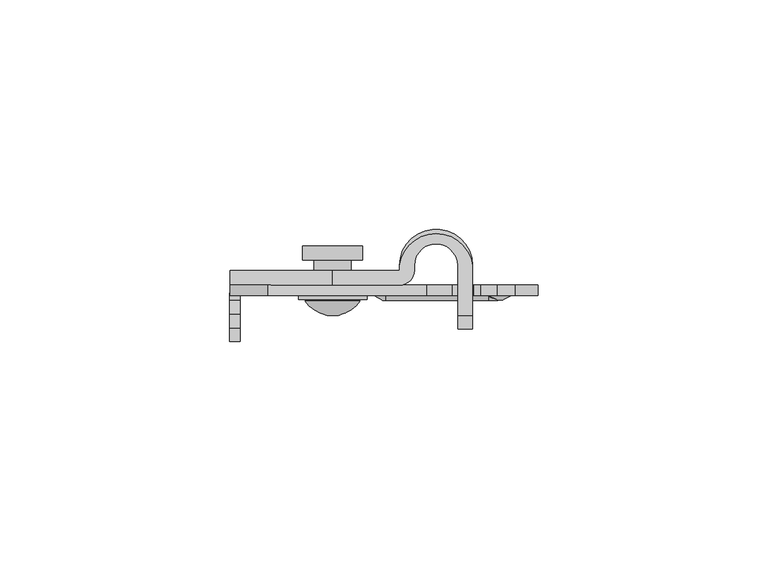
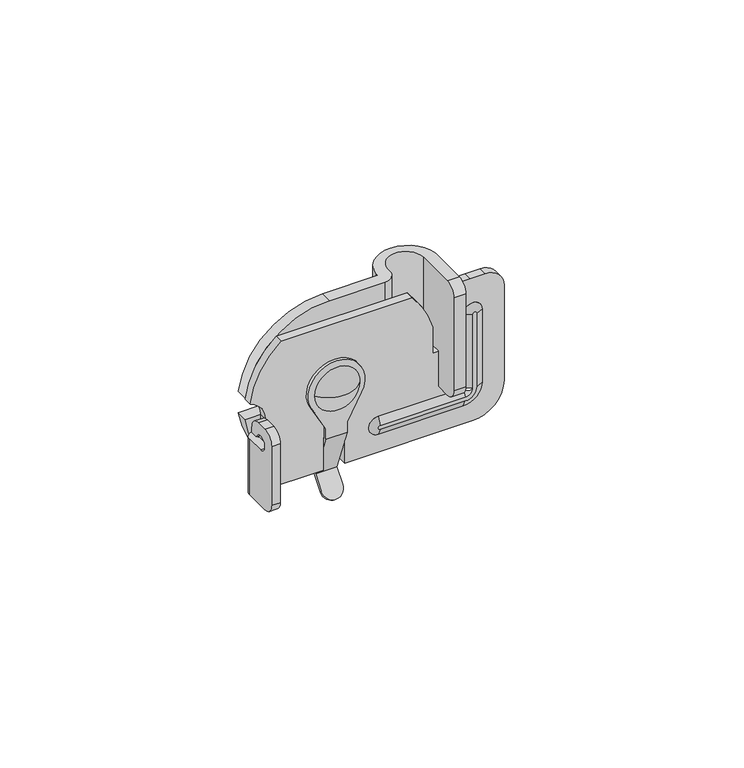
"""IFC4 building model written with IfcOpenShell, lengths in millimetres: proxy geometry."""

from ifc_helpers import new_model, si_unit, point, frame, origin, place, context, project, spatial, polyline, circle_curve, ellipse_curve, trimmed, source, transform, mapped, element, save
from ifc_brep_helpers import plane_surface, cylinder_surface, revolved_surface, advanced_brep


def mechanical_equipment_670ad9ea(model_context):
    return source(origin(), model_context, "Body", "AdvancedBrep", [
        advanced_brep(
        [(-29.1269981, -7.35, -26.1041932), (-25.35, -7.35, -32.9554193), (-25.35, -7.35, -35.9995996), (-19.75, -7.35, -35.9995996), (-19.75, -7.35, -32.9554193), (-15.9909502, -7.35, -26.1367504), (-26.55, -7.35, -22.4995996), (-18.55, -7.35, -22.4995996), (-29.1269981, -6.55, -26.1041932), (-15.9909502, -6.55, -26.1367504), (-19.75, -6.55, -32.9554193), (-19.75, -6.55, -35.9995996), (-25.35, -6.55, -35.9995996), (-25.35, -6.55, -32.9554193), (-26.55, -6.55, -22.4995996), (-18.55, -6.55, -22.4995996), (-25.35, -1.8623577, -48.1250278), (-25.35, -1.9856252, -48.915474), (-25.35, -4.6637413, -52.2388062), (-25.35, -5.286654, -51.7368303), (-25.35, -2.6085379, -48.4134981), (-19.75, -2.6085379, -48.4134981), (-19.75, -5.286654, -51.7368303), (-19.75, -4.6637413, -52.2388062), (-19.75, -1.9856252, -48.915474), (-19.75, -1.8623577, -48.1250278)],
        [
            (0, 1),
            (1, 2),
            (2, 3),
            (3, 4),
            (4, 5),
            (5, 0, circle_curve(frame((-22.55, -7.35, -22.4995996), z_axis=(0.0, -1.0, 0.0), x_axis=(1.0, 0.0, 0.0)), 7.5)),
            (6, 7, circle_curve(frame((-22.55, -7.35, -22.4995996), z_axis=(0.0, 1.0, 0.0), x_axis=(1.0, 0.0, 0.0)), 4.0)),
            (7, 6, circle_curve(frame((-22.55, -7.35, -22.4995996), z_axis=(0.0, 1.0, 0.0), x_axis=(1.0, 0.0, 0.0)), 4.0)),
            (8, 9, circle_curve(frame((-22.55, -6.55, -22.4995996), z_axis=(0.0, 1.0, 0.0), x_axis=(1.0, 0.0, 0.0)), 7.5)),
            (9, 10),
            (10, 11),
            (11, 12),
            (12, 13),
            (13, 8),
            (14, 15, circle_curve(frame((-22.55, -6.55, -22.4995996), z_axis=(0.0, -1.0, 0.0), x_axis=(1.0, 0.0, 0.0)), 4.0)),
            (15, 14, circle_curve(frame((-22.55, -6.55, -22.4995996), z_axis=(0.0, -1.0, 0.0), x_axis=(1.0, 0.0, 0.0)), 4.0)),
            (0, 8),
            (13, 1),
            (12, 16),
            (16, 17, circle_curve(frame((-25.35, -2.6085379, -48.4134981), z_axis=(-1.0, 0.0, 0.0), x_axis=(0.0, -1.0, 0.0)), 0.8)),
            (17, 18),
            (18, 19),
            (19, 20),
            (20, 2),
            (3, 21),
            (21, 22),
            (22, 23),
            (23, 24),
            (24, 25, circle_curve(frame((-19.75, -2.6085379, -48.4134981), z_axis=(1.0, 0.0, 0.0), x_axis=(0.0, -1.0, 0.0)), 0.8)),
            (25, 11),
            (10, 4),
            (9, 5),
            (6, 14),
            (15, 7),
            (20, 21),
            (16, 25),
            (24, 17),
            (23, 18, circle_curve(frame((-22.55, -4.6637413, -52.2388062), z_axis=(0.0, 0.7786408786881597, -0.6274698255977977), x_axis=(1.0, 0.0, 0.0)), 2.8)),
            (19, 22, circle_curve(frame((-22.55, -5.286654, -51.7368303), z_axis=(0.0, -0.7786408786881597, 0.6274698255977977), x_axis=(1.0, 0.0, 0.0)), 2.8)),
        ],
        [
            plane_surface(frame((-25.35, -7.35, -32.9554193), z_axis=(0.0, -1.0000000000000002, 0.0), x_axis=(0.4827844473228452, 0.0, -0.8757392177030643))),
            plane_surface(frame((-25.35, -6.55, -32.9554193), z_axis=(0.0, 1.0000000000000002, 0.0), x_axis=(-0.4827844473228452, 0.0, 0.8757392177030643))),
            plane_surface(frame((-29.1269981, -7.35, -26.1041932), z_axis=(-0.8757392177030643, 0.0, -0.4827844473228452), x_axis=(0.0, 1.0, 0.0))),
            plane_surface(frame((-25.35, -7.35, -32.9554193), z_axis=(-1.0, 0.0, 0.0), x_axis=(0.0, 1.0, 0.0))),
            plane_surface(frame((-19.75, -7.35, -35.9995996), z_axis=(1.0, 0.0, 0.0), x_axis=(0.0, 1.0, 0.0))),
            plane_surface(frame((-19.75, -7.35, -32.9554193), z_axis=(0.8757392177031226, 0.0, -0.48278444732273945), x_axis=(0.0, 1.0, 0.0))),
            cylinder_surface(frame((-22.55, -6.55, -22.4995996), z_axis=(0.0, -1.0, 0.0), x_axis=(1.0, 0.0, 0.0)), 7.5),
            revolved_surface(polyline([(-18.55, -6.55, -22.4995996), (-18.55, -7.35, -22.4995996)]), (-22.55, -6.55, -22.4995996), (0.0, 1.0, 0.0)),
            plane_surface(frame((-19.75, -7.35, -35.9995996), z_axis=(0.0, -0.9341780080748437, -0.3568072998543014), x_axis=(-1.0, 0.0, 0.0))),
            cylinder_surface(frame((-25.35, -2.6085379, -48.4134981), z_axis=(1.0, 0.0, 0.0), x_axis=(0.0, -1.0, 0.0)), 0.8),
            plane_surface(frame((-19.75, -1.8623577, -48.1250278), z_axis=(0.0, 0.9327252484199631, 0.36058786857008696), x_axis=(-1.0, 0.0, 0.0))),
            plane_surface(frame((-25.35, -1.9856252, -48.915474), z_axis=(0.0, 0.7786408786881597, -0.6274698255977976), x_axis=(0.0, 0.6274698255977976, 0.7786408786881597))),
            plane_surface(frame((-25.35, -2.6085379, -48.4134981), z_axis=(0.0, -0.7786408786881597, 0.6274698255977976), x_axis=(0.0, -0.6274698255977976, -0.7786408786881597))),
            cylinder_surface(frame((-22.55, -5.286654, -51.7368303), z_axis=(0.0, 0.7786408786881597, -0.6274698255977977), x_axis=(1.0, 0.0, 0.0)), 2.8),
        ],
        [
            (0, [[1, 2, 3, 4, 5, 6], [7, 8]]),
            (1, [[9, 10, 11, 12, 13, 14], [15, 16]]),
            (2, [[-1, 17, -14, 18]]),
            (3, [[-2, -18, -13, 19, 20, 21, 22, 23, 24]]),
            (4, [[-4, 25, 26, 27, 28, 29, 30, -11, 31]]),
            (5, [[-5, -31, -10, 32]]),
            (6, [[-6, -32, -9, -17]]),
            (7, [[-7, 33, -16, 34]]),
            (7, [[-8, -34, -15, -33]]),
            (8, [[-24, 35, -25, -3]]),
            (9, [[-20, 36, -29, 37]]),
            (10, [[-19, -12, -30, -36]]),
            (11, [[-21, -37, -28, 38]]),
            (12, [[39, -26, -35, -23]]),
            (13, [[-38, -27, -39, -22]]),
        ],
    ),
        advanced_brep(
        [(-36.6921356, -6.55, -5.0), (-44.8869966, -6.55, -19.7965608), (-40.75, -6.55, -25.5), (-40.75, -6.55, -27.0), (-42.75, -6.55, -29.5), (-42.75, -6.55, -45.0), (-25.55, -6.55, -45.0), (-25.55, -6.55, -36.0), (-19.85, -6.55, -36.0), (-19.85, -6.55, -45.0), (13.75, -6.55, -45.0), (22.25, -6.55, -36.5), (22.25, -6.55, -10.0), (17.25, -6.55, -5.0), (13.3436068, -6.55, -5.0), (9.75, -6.55, -5.0), (8.25, -6.55, -6.5), (8.25, -6.55, -22.5), (3.45, -6.55, -22.5), (3.45, -6.55, -15.2198901), (-1.9891148, -6.55, -5.0), (-26.55, -6.55, -22.5), (-18.55, -6.55, -22.5), (-11.05, -6.55, -40.0), (-11.05, -6.55, -35.0), (11.45, -6.55, -35.0), (11.45, -6.55, -14.5), (16.45, -6.55, -14.5), (16.45, -6.55, -35.0), (11.45, -6.55, -40.0), (-36.6921356, -4.25, -5.0), (-1.9891148, -4.25, -5.0), (3.45, -4.25, -15.2198901), (3.45, -4.25, -22.5), (8.25, -4.25, -22.5), (8.25, -4.25, -6.5), (9.75, -4.25, -5.0), (13.3436068, -4.25, -5.0), (17.25, -4.25, -5.0), (22.25, -4.25, -10.0), (22.25, -4.25, -36.5), (13.75, -4.25, -45.0), (-19.85, -4.25, -45.0), (-19.85, -4.25, -36.0), (-25.55, -4.25, -36.0), (-25.55, -4.25, -45.0), (-42.75, -4.25, -45.0), (-42.75, -4.25, -29.5), (-40.75, -4.25, -27.0), (-40.75, -4.25, -25.5), (-44.8869966, -4.25, -19.7965608), (-26.55, -4.25, -22.5), (-18.55, -4.25, -22.5), (11.45, -4.25, -14.5), (11.45, -4.25, -35.0), (-11.05, -4.25, -35.0), (-11.05, -4.25, -40.0), (11.45, -4.25, -40.0), (16.45, -4.25, -35.0), (16.45, -4.25, -14.5), (-42.75, -13.55, -45.0), (-45.05, -13.55, -45.0), (-45.05, -6.55, -45.0), (11.45, -5.25, -37.0), (13.45, -5.25, -35.0), (13.45, -5.25, -14.5), (14.45, -5.25, -14.5), (14.45, -5.25, -35.0), (11.45, -5.25, -38.0), (-11.05, -5.25, -38.0), (-11.05, -5.25, -37.0), (-11.05, -7.55, -38.0), (11.45, -7.55, -38.0), (14.45, -7.55, -35.0), (14.45, -7.55, -14.5), (13.45, -7.55, -14.5), (13.45, -7.55, -35.0), (11.45, -7.55, -37.0), (-11.05, -7.55, -37.0), (-42.75, -16.55, -25.5), (-42.75, -16.55, -42.0), (-42.75, -11.55, -29.5), (-42.75, -9.6135083, -27.0), (-42.75, -7.55, -27.0), (-42.75, -7.55, -25.5), (-42.75, -10.55, -22.5), (-42.75, -13.55, -22.5), (-45.05, -16.55, -25.5), (-45.05, -13.55, -22.5), (-45.05, -10.55, -22.5), (-45.05, -7.55, -25.5), (-45.05, -7.55, -27.0), (-45.05, -9.6135083, -27.0), (-45.05, -11.55, -29.5), (-45.05, -6.55, -29.5), (-45.05, -16.55, -42.0)],
        [
            (0, 1, circle_curve(frame((-22.55, -6.55, -22.5), z_axis=(0.0, -1.0, 0.0), x_axis=(1.0, 0.0, 0.0)), 22.5)),
            (1, 2, circle_curve(frame((-46.75, -6.55, -25.5), z_axis=(0.0, 1.0, 0.0), x_axis=(1.0, 0.0, 0.0)), 6.0)),
            (2, 3),
            (3, 4, circle_curve(frame((-43.3125, -6.55, -27.0), z_axis=(0.0, 1.0, 0.0), x_axis=(1.0, 0.0, 0.0)), 2.5625)),
            (4, 5),
            (5, 6),
            (6, 7),
            (7, 8),
            (8, 9),
            (9, 10),
            (10, 11, circle_curve(frame((13.75, -6.55, -36.5), z_axis=(0.0, -1.0, 0.0), x_axis=(1.0, 0.0, 0.0)), 8.5)),
            (11, 12),
            (12, 13, circle_curve(frame((17.25, -6.55, -10.0), z_axis=(0.0, -1.0, 0.0), x_axis=(1.0, 0.0, 0.0)), 5.0)),
            (13, 14),
            (14, 15),
            (15, 16, circle_curve(frame((9.75, -6.55, -6.5), z_axis=(0.0, -1.0, 0.0), x_axis=(1.0, 0.0, 0.0)), 1.5)),
            (16, 17),
            (17, 18),
            (18, 19),
            (19, 20, circle_curve(frame((-22.55, -6.55, -22.5), z_axis=(0.0, -1.0, 0.0), x_axis=(1.0, 0.0, 0.0)), 27.0)),
            (20, 0),
            (21, 22, circle_curve(frame((-22.55, -6.55, -22.5), z_axis=(0.0, 1.0, 0.0), x_axis=(1.0, 0.0, 0.0)), 4.0)),
            (22, 21, circle_curve(frame((-22.55, -6.55, -22.5), z_axis=(0.0, 1.0, 0.0), x_axis=(1.0, 0.0, 0.0)), 4.0)),
            (23, 24, circle_curve(frame((-11.05, -6.55, -37.5), z_axis=(0.0, 1.0, 0.0), x_axis=(0.0, 0.0, -1.0)), 2.5)),
            (24, 25),
            (25, 26),
            (26, 27, circle_curve(frame((13.95, -6.55, -14.5), z_axis=(0.0, 1.0, 0.0), x_axis=(-1.0, 0.0, 0.0)), 2.5)),
            (27, 28),
            (28, 29, circle_curve(frame((11.45, -6.55, -35.0), z_axis=(0.0, 1.0, 0.0), x_axis=(1.0, 0.0, 0.0)), 5.0)),
            (29, 23),
            (30, 31),
            (31, 32, circle_curve(frame((-22.55, -4.25, -22.5), z_axis=(0.0, 1.0, 0.0), x_axis=(1.0, 0.0, 0.0)), 27.0)),
            (32, 33),
            (33, 34),
            (34, 35),
            (35, 36, circle_curve(frame((9.75, -4.25, -6.5), z_axis=(0.0, 1.0, 0.0), x_axis=(1.0, 0.0, 0.0)), 1.5)),
            (36, 37),
            (37, 38),
            (38, 39, circle_curve(frame((17.25, -4.25, -10.0), z_axis=(0.0, 1.0, 0.0), x_axis=(1.0, 0.0, 0.0)), 5.0)),
            (39, 40),
            (40, 41, circle_curve(frame((13.75, -4.25, -36.5), z_axis=(0.0, 1.0, 0.0), x_axis=(1.0, 0.0, 0.0)), 8.5)),
            (41, 42),
            (42, 43),
            (43, 44),
            (44, 45),
            (45, 46),
            (46, 47),
            (47, 48, circle_curve(frame((-43.3125, -4.25, -27.0), z_axis=(0.0, -1.0, 0.0), x_axis=(1.0, 0.0, 0.0)), 2.5625)),
            (48, 49),
            (49, 50, circle_curve(frame((-46.75, -4.25, -25.5), z_axis=(0.0, -1.0, 0.0), x_axis=(1.0, 0.0, 0.0)), 6.0)),
            (50, 30, circle_curve(frame((-22.55, -4.25, -22.5), z_axis=(0.0, 1.0, 0.0), x_axis=(1.0, 0.0, 0.0)), 22.5)),
            (51, 52, circle_curve(frame((-22.55, -4.25, -22.5), z_axis=(0.0, -1.0, 0.0), x_axis=(1.0, 0.0, 0.0)), 4.0)),
            (52, 51, circle_curve(frame((-22.55, -4.25, -22.5), z_axis=(0.0, -1.0, 0.0), x_axis=(1.0, 0.0, 0.0)), 4.0)),
            (53, 54),
            (54, 55),
            (55, 56, circle_curve(frame((-11.05, -4.25, -37.5), z_axis=(-1.0151879337172407e-12, -1.0, 0.0), x_axis=(0.0, 0.0, -1.0)), 2.5)),
            (56, 57),
            (57, 58, circle_curve(frame((11.45, -4.25, -35.0), z_axis=(0.0, -1.0, 0.0), x_axis=(1.0, 0.0, 0.0)), 5.0)),
            (58, 59),
            (59, 53, circle_curve(frame((13.95, -4.25, -14.5), z_axis=(0.0, -1.0, 0.0), x_axis=(-1.0, 0.0, 0.0)), 2.5)),
            (0, 30),
            (50, 1),
            (5, 60),
            (60, 61),
            (61, 62),
            (62, 46, circle_curve(frame((-42.75, -6.55, -45.0), z_axis=(0.0, 0.0, -1.0), x_axis=(0.0, -1.0, 0.0)), 2.3)),
            (45, 6),
            (44, 7),
            (43, 8),
            (42, 9),
            (41, 10),
            (40, 11),
            (39, 12),
            (38, 13),
            (37, 14),
            (36, 15),
            (35, 16),
            (34, 17),
            (33, 18),
            (32, 19),
            (31, 20),
            (21, 51),
            (52, 22),
            (63, 64, circle_curve(frame((11.45, -5.25, -35.0), z_axis=(0.0, -1.0, 0.0), x_axis=(0.0, 0.0, -1.0)), 2.0)),
            (64, 65),
            (65, 66, circle_curve(frame((13.95, -5.25, -14.5), z_axis=(0.0, 1.0, 0.0), x_axis=(-1.0, 0.0, 0.0)), 0.5)),
            (66, 67),
            (67, 68, circle_curve(frame((11.45, -5.25, -35.0), z_axis=(0.0, 1.0, 0.0), x_axis=(1.0, 0.0, 0.0)), 3.0)),
            (68, 69),
            (69, 70, circle_curve(frame((-11.05, -5.25, -37.5), z_axis=(1.0151879337172407e-12, 1.0, 0.0), x_axis=(0.0, 0.0, -1.0)), 0.5)),
            (70, 63),
            (63, 54),
            (54, 64),
            (53, 65),
            (59, 66),
            (58, 67),
            (57, 68),
            (56, 69),
            (55, 70),
            (71, 72),
            (72, 73, circle_curve(frame((11.45, -7.55, -35.0), z_axis=(0.0, -1.0, 0.0), x_axis=(1.0, 0.0, 0.0)), 3.0)),
            (73, 74),
            (74, 75, circle_curve(frame((13.95, -7.55, -14.5), z_axis=(0.0, -1.0, 0.0), x_axis=(-1.0, 0.0, 0.0)), 0.5)),
            (75, 76),
            (76, 77, circle_curve(frame((11.45, -7.55, -35.0), z_axis=(0.0, 1.0, 0.0), x_axis=(0.0, 0.0, -1.0)), 2.0)),
            (77, 78),
            (78, 71, circle_curve(frame((-11.05, -7.55, -37.5), z_axis=(0.0, -1.0, 0.0), x_axis=(0.0, 0.0, -1.0)), 0.5)),
            (78, 24),
            (23, 71),
            (77, 25),
            (76, 25),
            (75, 26),
            (74, 27),
            (73, 28),
            (72, 29),
            (49, 2),
            (48, 3),
            (47, 4),
            (79, 80),
            (80, 60, circle_curve(frame((-42.75, -13.55, -42.0), z_axis=(1.0, 0.0, 0.0), x_axis=(0.0, -1.0, 0.0)), 3.0)),
            (4, 81),
            (81, 82, circle_curve(frame((-42.75, -11.55, -27.5), z_axis=(-1.0, 0.0, 0.0), x_axis=(0.0, -1.0, 0.0)), 2.0)),
            (82, 83),
            (83, 84),
            (84, 85, circle_curve(frame((-42.75, -10.55, -25.5), z_axis=(1.0, 0.0, 0.0), x_axis=(0.0, -1.0, 0.0)), 3.0)),
            (85, 86),
            (86, 79, circle_curve(frame((-42.75, -13.55, -25.5), z_axis=(1.0, 0.0, 0.0), x_axis=(0.0, -1.0, 0.0)), 3.0)),
            (87, 88, circle_curve(frame((-45.05, -13.55, -25.5), z_axis=(-1.0, 0.0, 0.0), x_axis=(0.0, -1.0, 0.0)), 3.0)),
            (88, 89),
            (89, 90, circle_curve(frame((-45.05, -10.55, -25.5), z_axis=(-1.0, 0.0, 0.0), x_axis=(0.0, -1.0, 0.0)), 3.0)),
            (90, 91),
            (91, 92),
            (92, 93, circle_curve(frame((-45.05, -11.55, -27.5), z_axis=(1.0, 0.0, 0.0), x_axis=(0.0, -1.0, 0.0)), 2.0)),
            (93, 94),
            (94, 62),
            (61, 95, circle_curve(frame((-45.05, -13.55, -42.0), z_axis=(-1.0, 0.0, 0.0), x_axis=(0.0, -1.0, 0.0)), 3.0)),
            (95, 87),
            (79, 87),
            (95, 80),
            (93, 81),
            (47, 94, circle_curve(frame((-42.75, -6.55, -29.5), z_axis=(0.0, 0.0, 1.0), x_axis=(0.0, -1.0, 0.0)), 2.3)),
            (92, 82),
            (91, 83),
            (90, 84),
            (89, 85),
            (88, 86),
        ],
        [
            plane_surface(frame((-0.05, -6.55, -22.5), z_axis=(0.0, -1.0, 0.0), x_axis=(0.0, 0.0, 1.0))),
            plane_surface(frame((-0.05, -4.25, -22.5), z_axis=(0.0, 1.0, 0.0), x_axis=(0.0, 0.0, -1.0))),
            cylinder_surface(frame((-22.55, -4.25, -22.5), z_axis=(0.0, -1.0, 0.0), x_axis=(1.0, 0.0, 0.0)), 22.5),
            plane_surface(frame((-42.75, -6.55, -45.0), z_axis=(0.0, 0.0, -1.0), x_axis=(0.0, 1.0, 0.0))),
            plane_surface(frame((-25.55, -6.55, -45.0), z_axis=(1.0, 0.0, 0.0), x_axis=(0.0, 1.0, 0.0))),
            plane_surface(frame((-25.55, -6.55, -36.0), z_axis=(0.0, 0.0, -1.0), x_axis=(0.0, 1.0, 0.0))),
            plane_surface(frame((-19.85, -6.55, -36.0), z_axis=(-1.0, 0.0, 0.0), x_axis=(0.0, 1.0, 0.0))),
            plane_surface(frame((-19.85, -6.55, -45.0), z_axis=(0.0, 0.0, -1.0), x_axis=(0.0, 1.0, 0.0))),
            cylinder_surface(frame((13.75, -4.25, -36.5), z_axis=(0.0, -1.0, 0.0), x_axis=(1.0, 0.0, 0.0)), 8.5),
            plane_surface(frame((22.25, -6.55, -36.5), z_axis=(1.0, 0.0, 0.0), x_axis=(0.0, 1.0, 0.0))),
            cylinder_surface(frame((17.25, -4.25, -10.0), z_axis=(0.0, -1.0, 0.0), x_axis=(1.0, 0.0, 0.0)), 5.0),
            plane_surface(frame((17.25, -6.55, -5.0), z_axis=(0.0, 0.0, 1.0), x_axis=(0.0, 1.0, 0.0))),
            plane_surface(frame((13.3436068, -6.55, -5.0), z_axis=(0.0, 0.0, 1.0), x_axis=(0.0, 1.0, 0.0))),
            cylinder_surface(frame((9.75, -4.25, -6.5), z_axis=(0.0, -1.0, 0.0), x_axis=(1.0, 0.0, 0.0)), 1.5),
            plane_surface(frame((8.25, -6.55, -6.5), z_axis=(-1.0, 0.0, 0.0), x_axis=(0.0, 1.0, 0.0))),
            plane_surface(frame((8.25, -6.55, -22.5), z_axis=(0.0, 0.0, 1.0), x_axis=(0.0, 1.0, 0.0))),
            plane_surface(frame((3.45, -6.55, -22.5), z_axis=(1.0, 0.0, 0.0), x_axis=(0.0, 1.0, 0.0))),
            cylinder_surface(frame((-22.55, -4.25, -22.5), z_axis=(0.0, -1.0, 0.0), x_axis=(1.0, 0.0, 0.0)), 27.0),
            plane_surface(frame((-1.9891148, -6.55, -5.0), z_axis=(0.0, 0.0, 1.0), x_axis=(0.0, 1.0, 0.0))),
            revolved_surface(polyline([(-18.55, -4.25, -22.5), (-18.55, -6.55, -22.5)]), (-22.55, -4.25, -22.5), (0.0, 1.0, 0.0)),
            plane_surface(frame((7.075, -5.25, -31.125), z_axis=(0.0, 1.0, 0.0), x_axis=(-1.0, 0.0, 0.0))),
            revolved_surface(polyline([(11.45, -4.25, -35.0), (13.45, -5.25, -35.0)]), (11.45, -4.25, -35.0), (0.0, -1.0, 0.0)),
            plane_surface(frame((13.45, -5.25, -24.75), z_axis=(0.447213595500118, 0.8944271909998359, 0.0), x_axis=(0.0, 0.0, 1.0))),
            revolved_surface(polyline([(11.45, -4.25, -14.5), (13.45, -5.25, -14.5)]), (13.95, -5.5, -14.5), (0.0, 1.0, 0.0)),
            plane_surface(frame((14.45, -5.25, -24.75), z_axis=(-0.4472135954997858, 0.8944271910000019, 0.0), x_axis=(0.0, 0.0, -1.0))),
            revolved_surface(polyline([(16.45, -4.25, -35.0), (14.45, -5.25, -35.0)]), (11.45, -6.75, -35.0), (0.0, 1.0, 0.0)),
            plane_surface(frame((0.2, -5.25, -38.0), z_axis=(0.0, 0.8944271909998782, 0.44721359550003326), x_axis=(-1.0, 0.0, 0.0))),
            revolved_surface(polyline([(-11.05, -4.25, -40.0), (-11.05, -5.25, -38.0)]), (-11.05, -5.5, -37.5), (1.0151879337172407e-12, 1.0, 0.0)),
            plane_surface(frame((0.2, -5.25, -37.0), z_axis=(0.0, 0.8944271909999539, -0.44721359549988193), x_axis=(1.0, 0.0, 0.0))),
            plane_surface(frame((7.075, -7.55, -31.125), z_axis=(0.0, -1.0, 0.0), x_axis=(-1.0, 0.0, 0.0))),
            revolved_surface(polyline([(-11.05, -7.55, -37.0), (-11.05, -6.55, -35.0)]), (-11.05, -7.8, -37.5), (0.0, 1.0, 0.0)),
            plane_surface(frame((0.2, -7.55, -37.0), z_axis=(0.0, -0.8944271909999115, 0.44721359549996675), x_axis=(1.0, 0.0, 0.0))),
            revolved_surface(polyline([(11.45, -7.55, -37.0), (11.45, -6.55, -35.0)]), (11.45, -6.55, -35.0), (0.0, -1.0, 0.0)),
            plane_surface(frame((13.45, -7.55, -24.75), z_axis=(-0.44721359549996675, -0.8944271909999115, 0.0), x_axis=(0.0, 0.0, 1.0))),
            revolved_surface(polyline([(14.45, -7.55, -14.5), (16.45, -6.55, -14.5)]), (13.95, -7.8, -14.5), (0.0, 1.0, 0.0)),
            plane_surface(frame((14.45, -7.55, -24.75), z_axis=(0.44721359549996753, -0.8944271909999112, 0.0), x_axis=(0.0, 0.0, -1.0))),
            revolved_surface(polyline([(11.45, -7.55, -38.0), (11.45, -6.55, -40.0)]), (11.45, -9.05, -35.0), (0.0, 1.0, 0.0)),
            plane_surface(frame((0.2, -7.55, -38.0), z_axis=(0.0, -0.8944271909999115, -0.44721359549996675), x_axis=(-1.0, 0.0, 0.0))),
            revolved_surface(polyline([(-40.75, -4.25, -25.5), (-40.75, -6.55, -25.5)]), (-46.75, -4.25, -25.5), (0.0, 1.0, 0.0)),
            plane_surface(frame((-40.75, -6.55, -25.5), z_axis=(-1.0, 0.0, 0.0), x_axis=(0.0, 1.0, 0.0))),
            revolved_surface(polyline([(-40.75, -4.25, -27.0), (-40.75, -6.55, -27.0)]), (-43.3125, -4.25, -27.0), (0.0, 1.0, 0.0)),
            plane_surface(frame((-42.75, -16.55, -42.0), z_axis=(1.0, 0.0, 0.0), x_axis=(0.0, 0.0, -1.0))),
            plane_surface(frame((-45.05, -16.55, -42.0), z_axis=(-1.0, 0.0, 0.0), x_axis=(0.0, 0.0, 1.0))),
            plane_surface(frame((-42.75, -16.55, -25.5), z_axis=(0.0, -1.0, 0.0), x_axis=(-1.0, 0.0, 0.0))),
            cylinder_surface(frame((-45.05, -13.55, -42.0), z_axis=(1.0, 0.0, 0.0), x_axis=(0.0, -1.0, 0.0)), 3.0),
            plane_surface(frame((-42.75, -4.25, -29.5), z_axis=(0.0, 0.0, 1.0), x_axis=(-1.0, 0.0, 0.0))),
            revolved_surface(polyline([(-45.05, -13.55, -27.5), (-42.75, -13.55, -27.5)]), (-45.05, -11.55, -27.5), (-1.0, 0.0, 0.0)),
            plane_surface(frame((-42.75, -9.6135083, -27.0), z_axis=(0.0, 0.0, -1.0), x_axis=(-1.0, 0.0, 0.0))),
            plane_surface(frame((-42.75, -7.55, -27.0), z_axis=(0.0, 1.0, 0.0), x_axis=(-1.0, 0.0, 0.0))),
            cylinder_surface(frame((-45.05, -10.55, -25.5), z_axis=(1.0, 0.0, 0.0), x_axis=(0.0, -1.0, 0.0)), 3.0),
            plane_surface(frame((-42.75, -10.55, -22.5), z_axis=(0.0, 0.0, 1.0), x_axis=(-1.0, 0.0, 0.0))),
            cylinder_surface(frame((-45.05, -13.55, -25.5), z_axis=(1.0, 0.0, 0.0), x_axis=(0.0, -1.0, 0.0)), 3.0),
            cylinder_surface(frame((-42.75, -6.55, -29.5), z_axis=(0.0, 0.0, -1.0), x_axis=(0.0, -1.0, 0.0)), 2.3),
        ],
        [
            (0, [[1, 2, 3, 4, 5, 6, 7, 8, 9, 10, 11, 12, 13, 14, 15, 16, 17, 18, 19, 20, 21], [22, 23], [24, 25, 26, 27, 28, 29, 30]]),
            (1, [[31, 32, 33, 34, 35, 36, 37, 38, 39, 40, 41, 42, 43, 44, 45, 46, 47, 48, 49, 50, 51], [52, 53], [54, 55, 56, 57, 58, 59, 60]]),
            (2, [[-1, 61, -51, 62]]),
            (3, [[-6, 63, 64, 65, 66, -46, 67]]),
            (4, [[-7, -67, -45, 68]]),
            (5, [[-8, -68, -44, 69]]),
            (6, [[-9, -69, -43, 70]]),
            (7, [[-10, -70, -42, 71]]),
            (8, [[-11, -71, -41, 72]]),
            (9, [[-12, -72, -40, 73]]),
            (10, [[-13, -73, -39, 74]]),
            (11, [[-14, -74, -38, 75]]),
            (12, [[-15, -75, -37, 76]]),
            (13, [[-16, -76, -36, 77]]),
            (14, [[-17, -77, -35, 78]]),
            (15, [[-18, -78, -34, 79]]),
            (16, [[-19, -79, -33, 80]]),
            (17, [[-20, -80, -32, 81]]),
            (18, [[-21, -81, -31, -61]]),
            (19, [[-22, 82, -53, 83]]),
            (19, [[-23, -83, -52, -82]]),
            (20, [[84, 85, 86, 87, 88, 89, 90, 91]]),
            (21, [[-84, 92, 93]]),
            (22, [[-85, -93, -54, 94]]),
            (23, [[-86, -94, -60, 95]]),
            (24, [[-87, -95, -59, 96]]),
            (25, [[-88, -96, -58, 97]]),
            (26, [[-89, -97, -57, 98]]),
            (27, [[-90, -98, -56, 99]]),
            (28, [[-91, -99, -55, -92]]),
            (29, [[100, 101, 102, 103, 104, 105, 106, 107]]),
            (30, [[-107, 108, -24, 109]]),
            (31, [[-106, 110, -25, -108]]),
            (32, [[-105, 111, -110]]),
            (33, [[-104, 112, -26, -111]]),
            (34, [[-103, 113, -27, -112]]),
            (35, [[-102, 114, -28, -113]]),
            (36, [[-101, 115, -29, -114]]),
            (37, [[-100, -109, -30, -115]]),
            (38, [[-2, -62, -50, 116]]),
            (39, [[-3, -116, -49, 117]]),
            (40, [[-4, -117, -48, 118]]),
            (41, [[119, 120, -63, -5, 121, 122, 123, 124, 125, 126, 127]]),
            (42, [[128, 129, 130, 131, 132, 133, 134, 135, -65, 136, 137]]),
            (43, [[-119, 138, -137, 139]]),
            (44, [[-120, -139, -136, -64]]),
            (45, [[140, -121, -118, 141, -134]]),
            (46, [[-122, -140, -133, 142]]),
            (47, [[-123, -142, -132, 143]]),
            (48, [[-124, -143, -131, 144]]),
            (49, [[-125, -144, -130, 145]]),
            (50, [[-126, -145, -129, 146]]),
            (51, [[-127, -146, -128, -138]]),
            (52, [[-135, -141, -47, -66]]),
        ],
    ),
        advanced_brep(
        [(-16.05, 1.2499985, -22.5), (-29.05, 1.2499985, -22.5), (-26.55, 1.2499985, -22.5), (-18.55, 1.2499985, -22.5), (-16.05, 4.2499985, -22.5), (-29.05, 4.2499985, -22.5), (-18.55, -7.7500015, -22.5), (-26.55, -7.7500015, -22.5), (-28.55, -7.7500015, -22.5), (-16.55, -7.7500015, -22.5), (-22.55, -10.8420721, -22.5)],
        [
            (0, 1, circle_curve(frame((-22.55, 1.2499985, -22.5), z_axis=(0.0, -1.0, 0.0), x_axis=(-1.0, 0.0, 0.0)), 6.5)),
            (1, 0, circle_curve(frame((-22.55, 1.2499985, -22.5), z_axis=(0.0, -1.0, 0.0), x_axis=(-1.0, 0.0, 0.0)), 6.5)),
            (2, 3, circle_curve(frame((-22.55, 1.2499985, -22.5), z_axis=(0.0, 1.0, 0.0), x_axis=(-1.0, 0.0, 0.0)), 4.0)),
            (3, 2, circle_curve(frame((-22.55, 1.2499985, -22.5), z_axis=(0.0, 1.0, 0.0), x_axis=(-1.0, 0.0, 0.0)), 4.0)),
            (4, 5, circle_curve(frame((-22.55, 4.2499985, -22.5), z_axis=(0.0, 1.0, 0.0), x_axis=(-1.0, 0.0, 0.0)), 6.5)),
            (5, 4, circle_curve(frame((-22.55, 4.2499985, -22.5), z_axis=(0.0, 1.0, 0.0), x_axis=(-1.0, 0.0, 0.0)), 6.5)),
            (0, 4),
            (5, 1),
            (6, 3),
            (2, 7),
            (7, 6, circle_curve(frame((-22.55, -7.7500015, -22.5), z_axis=(0.0, 1.0, 0.0), x_axis=(-1.0, 0.0, 0.0)), 4.0)),
            (6, 7, circle_curve(frame((-22.55, -7.7500015, -22.5), z_axis=(0.0, 1.0, 0.0), x_axis=(-1.0, 0.0, 0.0)), 4.0)),
            (8, 9, circle_curve(frame((-22.55, -7.7500015, -22.5), z_axis=(0.0, -1.0, 0.0), x_axis=(1.0, 0.0, 0.0)), 6.0)),
            (9, 10, circle_curve(frame((-22.55, -3.4746949, -22.5), z_axis=(0.0, 0.0, -1.0), x_axis=(-1.0, 0.0, 0.0)), 7.3673772)),
            (10, 8, circle_curve(frame((-22.55, -3.4746949, -22.5), z_axis=(0.0, 0.0, -1.0), x_axis=(1.0, 0.0, 0.0)), 7.3673772)),
            (9, 8, circle_curve(frame((-22.55, -7.7500015, -22.5), z_axis=(0.0, -1.0, 0.0), x_axis=(1.0, 0.0, 0.0)), 6.0)),
            (8, 7),
            (6, 9),
        ],
        [
            plane_surface(frame((-29.05, 1.2499985, -22.5), z_axis=(0.0, -1.0, 0.0), x_axis=(0.0, 0.0, -1.0))),
            plane_surface(frame((-29.05, 4.2499985, -22.5), z_axis=(0.0, 1.0, 0.0), x_axis=(0.0, 0.0, 1.0))),
            cylinder_surface(frame((-22.55, 4.2499985, -22.5), z_axis=(0.0, -1.0, 0.0), x_axis=(-1.0, 0.0, 0.0)), 6.5),
            cylinder_surface(frame((-22.55, 1.2499985, -22.5), z_axis=(0.0, -1.0, 0.0), x_axis=(-1.0, 0.0, 0.0)), 4.0),
            revolved_surface(trimmed(ellipse_curve(frame((-22.55, -3.4746949, -22.5), z_axis=(0.0, 0.0, 1.0), x_axis=(-1.0, 0.0, 0.0)), 7.3673772, 7.3673772), [point((-22.55, -10.8420721, -22.5))], [point((-16.55, -7.7500015, -22.5))], True, "CARTESIAN"), (-22.55, -10.8420721, -22.5), (0.0, 1.0, 0.0)),
            plane_surface(frame((-22.55, -7.7500015, -22.5), z_axis=(0.0, 1.0, 0.0), x_axis=(1.0, 0.0, 0.0))),
        ],
        [
            (0, [[1, 2], [3, 4]]),
            (1, [[5, 6]]),
            (2, [[-1, 7, -6, 8]]),
            (2, [[-2, -8, -5, -7]]),
            (3, [[9, -3, 10, 11]]),
            (3, [[-9, 12, -10, -4]]),
            (4, [[13, 14, 15]]),
            (4, [[-14, 16, -15]]),
            (5, [[-13, 17, -12, 18]]),
            (5, [[-16, -18, -11, -17]]),
        ],
    ),
        advanced_brep(
        [(7.95, 0.0, 0.0), (7.95, -10.85, 0.0), (7.95, -13.85, -3.0), (7.95, -13.85, -29.0), (7.95, -10.85, -32.0), (7.95, -6.85, -32.0), (7.95, -6.85, -22.0), (7.95, -4.25, -22.0), (7.95, -4.25, -45.0), (7.95, 0.0, -45.0), (7.95, 0.0, -35.0), (7.95, 0.0, -10.0), (4.75, 0.0, -45.0), (4.75, -4.25, -45.0), (4.75, -4.25, -22.0), (4.75, -6.85, -22.0), (4.75, -6.85, -32.0), (4.75, -10.85, -32.0), (4.75, -13.85, -29.0), (4.75, -13.85, -3.0), (4.75, -10.85, 0.0), (4.75, 0.0, 0.0), (-7.95, 0.0, 0.0), (-7.95, -1.05, 0.0), (-22.55, -1.05, 0.0), (-22.55, -4.25, 0.0), (-7.95, -4.25, 0.0), (-4.75, -1.05, 0.0), (-4.75, 0.0, 0.0), (-4.75, 0.0, -45.0), (-4.75, -1.05, -45.0), (-7.95, -4.25, -45.0), (-19.55, -4.25, -45.0), (-19.55, -1.05, -45.0), (-7.95, -1.05, -45.0), (-7.95, 0.0, -45.0), (-44.8491031, -4.25, -19.5), (-39.05, -4.25, -19.5), (-39.05, -4.25, -25.5), (-44.8491031, -4.25, -25.5), (-25.55, -4.25, -44.7991031), (-25.55, -4.25, -39.0), (-19.55, -4.25, -39.0), (-18.55, -4.25, -22.5), (-26.55, -4.25, -22.5), (-19.55, -1.05, -39.0), (-25.55, -1.05, -39.0), (-25.55, -1.05, -44.7991031), (-44.8491031, -1.05, -25.5), (-39.05, -1.05, -25.5), (-39.05, -1.05, -19.5), (-44.8491031, -1.05, -19.5), (-18.55, -1.05, -22.5), (-26.55, -1.05, -22.5), (-7.95, 0.0, -10.0), (-7.95, 0.0, -35.0)],
        [
            (0, 1),
            (1, 2, circle_curve(frame((7.95, -10.85, -3.0), z_axis=(1.0, 0.0, 0.0), x_axis=(0.0, 1.0, 0.0)), 3.0)),
            (2, 3),
            (3, 4, circle_curve(frame((7.95, -10.85, -29.0), z_axis=(1.0, 0.0, 0.0), x_axis=(0.0, 1.0, 0.0)), 3.0)),
            (4, 5),
            (5, 6),
            (6, 7),
            (7, 8),
            (8, 9),
            (9, 10),
            (10, 11),
            (11, 0),
            (12, 13),
            (13, 14),
            (14, 15),
            (15, 16),
            (16, 17),
            (17, 18, circle_curve(frame((4.75, -10.85, -29.0), z_axis=(-1.0, 0.0, 0.0), x_axis=(0.0, 1.0, 0.0)), 3.0)),
            (18, 19),
            (19, 20, circle_curve(frame((4.75, -10.85, -3.0), z_axis=(-1.0, 0.0, 0.0), x_axis=(0.0, 1.0, 0.0)), 3.0)),
            (20, 21),
            (21, 12),
            (0, 22, circle_curve(frame((0.0, -1.0719424, 0.0), z_axis=(0.0, 0.0, 1.0), x_axis=(1.0, 0.0, 0.0)), 8.0219424)),
            (22, 23),
            (23, 24),
            (24, 25),
            (25, 26),
            (26, 27, circle_curve(frame((-7.95, -1.05, 0.0), z_axis=(0.0, 0.0, 1.0), x_axis=(1.0, 0.0, 0.0)), 3.2)),
            (27, 28),
            (28, 21, circle_curve(frame((0.0, 0.0, 0.0), z_axis=(0.0, 0.0, -1.0), x_axis=(1.0, 0.0, 0.0)), 4.75)),
            (20, 1),
            (19, 2),
            (18, 3),
            (17, 4),
            (16, 5),
            (15, 6),
            (14, 7),
            (13, 8),
            (12, 29, circle_curve(frame((0.0, 0.0, -45.0), z_axis=(0.0, 0.0, 1.0), x_axis=(1.0, 0.0, 0.0)), 4.75)),
            (29, 30),
            (30, 31, circle_curve(frame((-7.95, -1.05, -45.0), z_axis=(0.0, 0.0, -1.0), x_axis=(1.0, 0.0, 0.0)), 3.2)),
            (31, 32),
            (32, 33),
            (33, 34),
            (34, 35),
            (35, 9, circle_curve(frame((0.0, -1.0719424, -45.0), z_axis=(0.0, 0.0, -1.0), x_axis=(1.0, 0.0, 0.0)), 8.0219424)),
            (25, 36, circle_curve(frame((-22.55, -4.25, -22.5), z_axis=(0.0, -1.0, 0.0), x_axis=(1.0, 0.0, 0.0)), 22.5)),
            (36, 37),
            (37, 38),
            (38, 39),
            (39, 40, circle_curve(frame((-22.55, -4.25, -22.5), z_axis=(0.0, -1.0, 0.0), x_axis=(1.0, 0.0, 0.0)), 22.5)),
            (40, 41),
            (41, 42),
            (42, 32),
            (31, 26),
            (43, 44, circle_curve(frame((-22.55, -4.25, -22.5), z_axis=(0.0, 1.0, 0.0), x_axis=(1.0, 0.0, 0.0)), 4.0)),
            (44, 43, circle_curve(frame((-22.55, -4.25, -22.5), z_axis=(0.0, 1.0, 0.0), x_axis=(1.0, 0.0, 0.0)), 4.0)),
            (23, 34),
            (33, 45),
            (45, 46),
            (46, 47),
            (47, 48, circle_curve(frame((-22.55, -1.05, -22.5), z_axis=(0.0, 1.0, 0.0), x_axis=(1.0, 0.0, 0.0)), 22.5)),
            (48, 49),
            (49, 50),
            (50, 51),
            (51, 24, circle_curve(frame((-22.55, -1.05, -22.5), z_axis=(0.0, 1.0, 0.0), x_axis=(1.0, 0.0, 0.0)), 22.5)),
            (52, 53, circle_curve(frame((-22.55, -1.05, -22.5), z_axis=(0.0, -1.0, 0.0), x_axis=(1.0, 0.0, 0.0)), 4.0)),
            (53, 52, circle_curve(frame((-22.55, -1.05, -22.5), z_axis=(0.0, -1.0, 0.0), x_axis=(1.0, 0.0, 0.0)), 4.0)),
            (51, 36),
            (50, 37),
            (49, 38),
            (48, 39),
            (47, 40),
            (46, 41),
            (45, 42),
            (43, 52),
            (53, 44),
            (30, 27),
            (29, 28),
            (11, 54, circle_curve(frame((0.0, -1.0719424, -10.0), z_axis=(0.0, 0.0, 1.0), x_axis=(1.0, 0.0, 0.0)), 8.0219424)),
            (54, 22),
            (35, 55),
            (55, 10, circle_curve(frame((0.0, -1.0719424, -35.0), z_axis=(0.0, 0.0, -1.0), x_axis=(1.0, 0.0, 0.0)), 8.0219424)),
            (54, 55),
            (11, 54, circle_curve(frame((0.0, 0.0, -10.0), z_axis=(0.0, 0.0, 1.0), x_axis=(1.0, 0.0, 0.0)), 7.95)),
            (55, 10, circle_curve(frame((0.0, 0.0, -35.0), z_axis=(0.0, 0.0, -1.0), x_axis=(1.0, 0.0, 0.0)), 7.95)),
        ],
        [
            plane_surface(frame((7.95, 0.0, -45.0), z_axis=(1.0, 0.0, 0.0), x_axis=(0.0, 1.4240830736866738e-12, 1.0))),
            plane_surface(frame((4.75, 0.0, -45.0), z_axis=(-1.0, 0.0, 0.0), x_axis=(0.0, -1.4240830736866738e-12, -1.0))),
            plane_surface(frame((7.95, 0.0, 0.0), z_axis=(0.0, 0.0, 1.0), x_axis=(-1.0, 0.0, 0.0))),
            cylinder_surface(frame((4.75, -10.85, -3.0), z_axis=(1.0, 0.0, 0.0), x_axis=(0.0, 1.0, 0.0)), 3.0),
            plane_surface(frame((7.95, -13.85, -3.0), z_axis=(0.0, -1.0, 0.0), x_axis=(-1.0, 0.0, 0.0))),
            cylinder_surface(frame((4.75, -10.85, -29.0), z_axis=(1.0, 0.0, 0.0), x_axis=(0.0, 1.0, 0.0)), 3.0),
            plane_surface(frame((7.95, -10.85, -32.0), z_axis=(0.0, 0.0, -1.0), x_axis=(-1.0, 0.0, 0.0))),
            plane_surface(frame((7.95, -6.85, -32.0), z_axis=(0.0, 1.0, 0.0), x_axis=(-1.0, 0.0, 0.0))),
            plane_surface(frame((7.95, -6.85, -22.0), z_axis=(0.0, 0.0, -1.0), x_axis=(-1.0, 0.0, 0.0))),
            plane_surface(frame((7.95, -4.25, -22.0), z_axis=(0.0, -1.0, 0.0), x_axis=(-1.0, 0.0, 0.0))),
            plane_surface(frame((7.95, -4.25, -45.0), z_axis=(0.0, 0.0, -1.0), x_axis=(-1.0, 0.0, 0.0))),
            plane_surface(frame((-0.05, -4.25, -22.5), z_axis=(0.0, -1.0, 0.0), x_axis=(0.0, 0.0, 1.0))),
            plane_surface(frame((-0.05, -1.05, -22.5), z_axis=(0.0, 1.0, 0.0), x_axis=(0.0, 0.0, -1.0))),
            cylinder_surface(frame((-22.55, -1.05, -22.5), z_axis=(0.0, -1.0, 0.0), x_axis=(1.0, 0.0, 0.0)), 22.5),
            plane_surface(frame((-44.8491031, -4.25, -19.5), z_axis=(0.0, 0.0, -1.0), x_axis=(0.0, 1.0, 0.0))),
            plane_surface(frame((-39.05, -4.25, -19.5), z_axis=(-1.0, 0.0, 0.0), x_axis=(0.0, 1.0, 0.0))),
            plane_surface(frame((-39.05, -4.25, -25.5), z_axis=(0.0, 0.0, 1.0), x_axis=(0.0, 1.0, 0.0))),
            plane_surface(frame((-25.55, -4.25, -44.7991031), z_axis=(1.0, 0.0, 0.0), x_axis=(0.0, 1.0, 0.0))),
            plane_surface(frame((-25.55, -4.25, -39.0), z_axis=(0.0, 0.0, -1.0), x_axis=(0.0, 1.0, 0.0))),
            plane_surface(frame((-19.55, -4.25, -39.0), z_axis=(-1.0, 0.0, 0.0), x_axis=(0.0, 1.0, 0.0))),
            revolved_surface(polyline([(-18.55, -1.05, -22.5), (-18.55, -4.25, -22.5)]), (-22.55, 0.0, -22.5), (0.0, 1.0, 0.0)),
            cylinder_surface(frame((-7.95, -1.05, -45.0), z_axis=(0.0, 0.0, 1.0), x_axis=(1.0, 0.0, 0.0)), 3.2),
            plane_surface(frame((-4.75, -1.05, 0.0), z_axis=(1.0, 0.0, 0.0), x_axis=(0.0, 0.0, -1.0))),
            revolved_surface(polyline([(4.75, 0.0, -45.0), (4.75, 0.0, 0.0)]), (0.0, 0.0, -45.0), (0.0, 0.0, -1.0)),
            cylinder_surface(frame((0.0, -1.0719424, -45.0), z_axis=(0.0, 0.0, 1.0), x_axis=(1.0, 0.0, 0.0)), 8.0219424),
            plane_surface(frame((-7.95, 0.0, 0.0), z_axis=(-1.0, 0.0, 0.0), x_axis=(0.0, 0.0, -1.0))),
            plane_surface(frame((8.0219424, -1.0719424, -10.0), z_axis=(0.0, 0.0, 1.0), x_axis=(0.0, -1.0, 0.0))),
            plane_surface(frame((8.0219424, -1.0719424, -35.0), z_axis=(0.0, 0.0, -1.0), x_axis=(0.0, 1.0, 0.0))),
            cylinder_surface(frame((0.0, 0.0, -35.0), z_axis=(0.0, 0.0, 1.0), x_axis=(1.0, 0.0, 0.0)), 7.95),
        ],
        [
            (0, [[1, 2, 3, 4, 5, 6, 7, 8, 9, 10, 11, 12]]),
            (1, [[13, 14, 15, 16, 17, 18, 19, 20, 21, 22]]),
            (2, [[-1, 23, 24, 25, 26, 27, 28, 29, 30, -21, 31]]),
            (3, [[-2, -31, -20, 32]]),
            (4, [[-3, -32, -19, 33]]),
            (5, [[-4, -33, -18, 34]]),
            (6, [[-5, -34, -17, 35]]),
            (7, [[-6, -35, -16, 36]]),
            (8, [[-7, -36, -15, 37]]),
            (9, [[-8, -37, -14, 38]]),
            (10, [[-9, -38, -13, 39, 40, 41, 42, 43, 44, 45, 46]]),
            (11, [[47, 48, 49, 50, 51, 52, 53, 54, -42, 55, -27], [56, 57]]),
            (12, [[-25, 58, -44, 59, 60, 61, 62, 63, 64, 65, 66], [67, 68]]),
            (13, [[-47, -26, -66, 69]]),
            (14, [[-48, -69, -65, 70]]),
            (15, [[-49, -70, -64, 71]]),
            (16, [[-50, -71, -63, 72]]),
            (13, [[-51, -72, -62, 73]]),
            (17, [[-52, -73, -61, 74]]),
            (18, [[-53, -74, -60, 75]]),
            (19, [[-54, -75, -59, -43]]),
            (20, [[-56, 76, -68, 77]]),
            (20, [[-57, -77, -67, -76]]),
            (21, [[-28, -55, -41, 78]]),
            (22, [[-29, -78, -40, 79]]),
            (23, [[-30, -79, -39, -22]]),
            (24, [[-23, -12, 80, 81]]),
            (24, [[-46, 82, 83, -10]]),
            (25, [[-24, -81, 84, -82, -45, -58]]),
            (26, [[85, -80]]),
            (27, [[86, -83]]),
            (28, [[-85, -11, -86, -84]]),
        ],
    ),
    ])


if __name__ == "__main__":
    model = new_model("IFC4")
    model_context = context("Model", 3, world=origin())
    ifc_project = project(units=[si_unit("LENGTHUNIT", "METRE", prefix="MILLI")], contexts=[model_context])
    site = spatial("IfcSite", under=ifc_project)
    building = spatial("IfcBuilding", under=site)
    placement = place(None, origin())
    mechanical_equipment_shape = mechanical_equipment_670ad9ea(model_context)
    element("IfcBuildingElementProxy", 1, Name="Mechanical Equipment", at=placement, inside=building, context=model_context, shape_type="MappedRepresentation", body=[
        mapped(mechanical_equipment_shape, transform((0.0, 0.0, 0.0), x_axis=(1.0, 0.0, 0.0), y_axis=(0.0, 1.0, 0.0), z_axis=(0.0, 0.0, 1.0))),
    ])
    save(model, "model.ifc")
